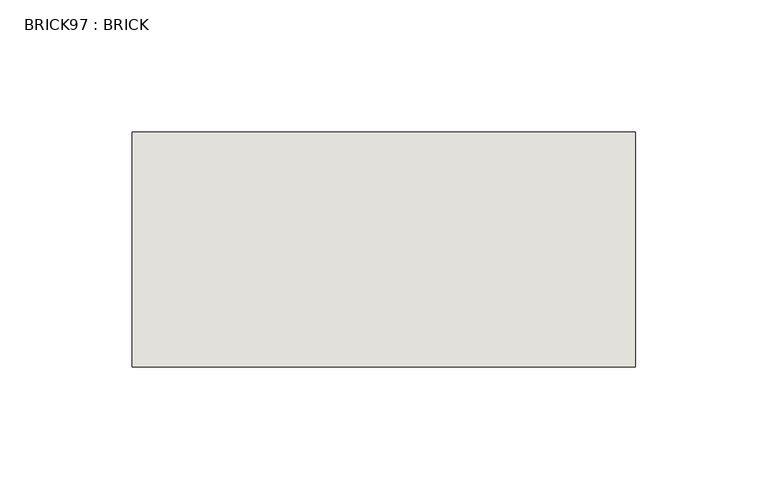
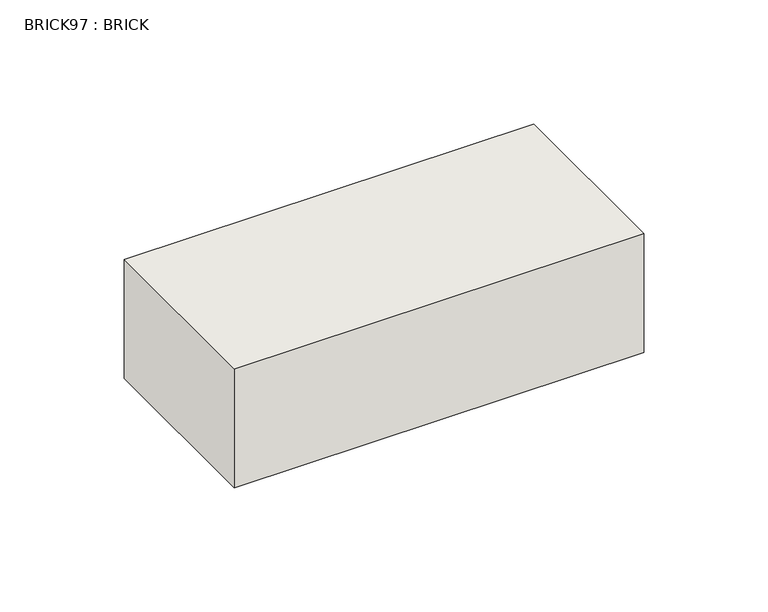
"""IFC4 building model written with IfcOpenShell, lengths in millimetres: wall geometry, BRICK97 : BRICK."""

from ifc_helpers import new_model, si_unit, frame, origin, place, context, project, spatial, polyline, outline, extrude, source, transform, mapped, element, save


def brick97_brick_761eb0bc(model_context):
    return source(origin(), model_context, "Body", "SweptSolid", [
        extrude(outline(polyline([(1241.2530711, 2586.2274125), (1431.7530711, 2586.2274125), (1431.7530711, 2497.3274125), (1241.2530711, 2497.3274125), (1241.2530711, 2586.2274125)])), frame((0.0, 0.0, 493.4148438), z_axis=(0.0, 0.0, 1.0), x_axis=(1.0, 0.0, 0.0)), (0.0, 0.0, 1.0), 58.4398437),
    ])


if __name__ == "__main__":
    model = new_model("IFC4")
    model_context = context("Model", 3, world=origin())
    ifc_project = project(units=[si_unit("LENGTHUNIT", "METRE", prefix="MILLI")], contexts=[model_context])
    site = spatial("IfcSite", under=ifc_project)
    building = spatial("IfcBuilding", under=site)
    placement = place(None, origin())
    brick97_brick_shape = brick97_brick_761eb0bc(model_context)
    element("IfcWall", 1, ObjectType="BRICK97 : BRICK", at=placement, inside=building, context=model_context, shape_type="MappedRepresentation", body=[
        mapped(brick97_brick_shape, transform((0.0, 0.0, 0.0), x_axis=(1.0, 0.0, 0.0), y_axis=(0.0, 1.0, 0.0), z_axis=(0.0, 0.0, 1.0))),
    ])
    save(model, "model.ifc")
